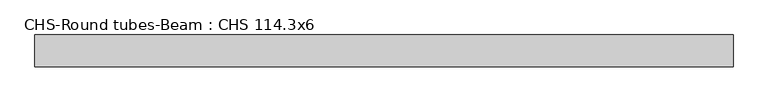
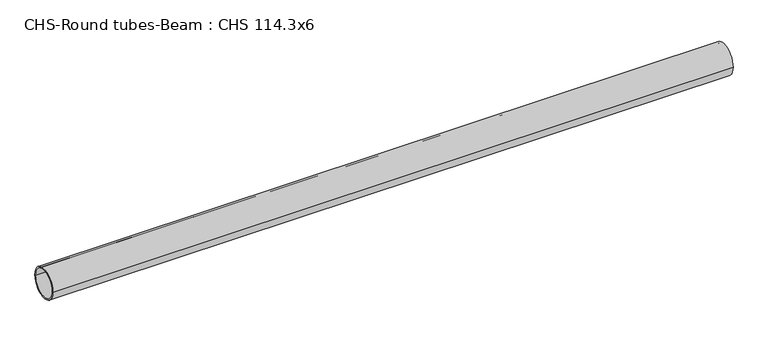
"""IFC4 building model written with IfcOpenShell, lengths in millimetres: beam geometry, CHS-Round tubes-Beam : CHS 114.3x6."""

from ifc_helpers import new_model, si_unit, point, frame, origin, origin_2d, place, context, project, spatial, circle_curve, trimmed, segment, composite_curve, outline, extrude, source, transform, mapped, element, save


def chs_round_tubes_beam_chs_114_3x6_9cfce2f7(model_context):
    return source(origin(), model_context, "Body", "SweptSolid", [
        extrude(outline(composite_curve([segment(trimmed(circle_curve(origin_2d(), 57.15), [point((57.15, 0.0))], [point((-57.15, 0.0))], False, "CARTESIAN"), True, "CONTINUOUS"), segment(trimmed(circle_curve(origin_2d(), 57.15), [point((-57.15, 0.0))], [point((57.15, 0.0))], False, "CARTESIAN"), True, "CONTINUOUS")], self_intersect=False), holes=[composite_curve([segment(trimmed(circle_curve(origin_2d(), 51.15), [point((51.15, 0.0))], [point((-51.15, 0.0))], True, "CARTESIAN"), True, "CONTINUOUS"), segment(trimmed(circle_curve(origin_2d(), 51.15), [point((-51.15, 0.0))], [point((51.15, 0.0))], True, "CARTESIAN"), True, "CONTINUOUS")], self_intersect=False)]), frame((-1208.5781282, 0.0, 0.0), z_axis=(1.0, 0.0, 0.0), x_axis=(0.0, 1.0, 0.0)), (0.0, 0.0, 1.0), 2505.09455),
    ])


if __name__ == "__main__":
    model = new_model("IFC4")
    model_context = context("Model", 3, world=origin())
    ifc_project = project(units=[si_unit("LENGTHUNIT", "METRE", prefix="MILLI")], contexts=[model_context])
    site = spatial("IfcSite", under=ifc_project)
    building = spatial("IfcBuilding", under=site)
    placement = place(None, origin())
    chs_round_tubes_beam_chs_114_3x6_shape = chs_round_tubes_beam_chs_114_3x6_9cfce2f7(model_context)
    element("IfcBeam", 1, ObjectType="CHS-Round tubes-Beam : CHS 114.3x6", at=placement, inside=building, context=model_context, shape_type="MappedRepresentation", body=[
        mapped(chs_round_tubes_beam_chs_114_3x6_shape, transform((0.0, 0.0, 0.0), x_axis=(1.0, 0.0, 0.0), y_axis=(0.0, 1.0, 0.0), z_axis=(0.0, 0.0, 1.0))),
    ])
    save(model, "model.ifc")
